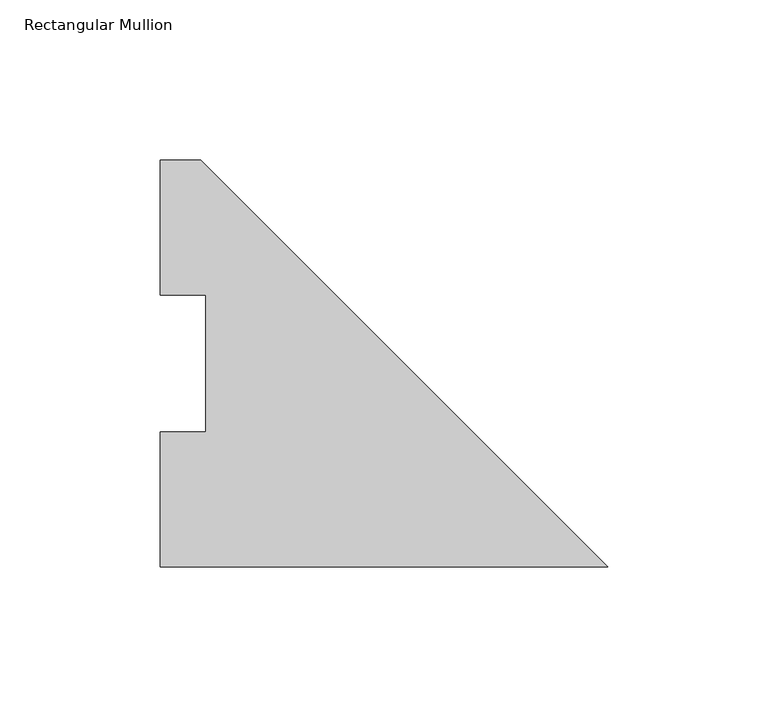
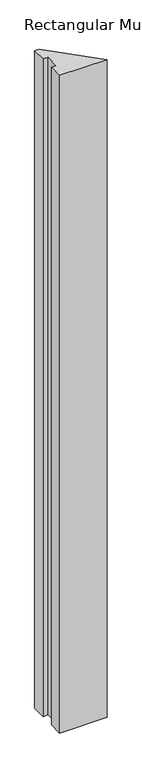
"""IFC4 building model written with IfcOpenShell, lengths in millimetres: member geometry, Rectangular Mullion."""

from ifc_helpers import new_model, si_unit, frame, origin, place, context, project, spatial, polyline, outline, extrude, source, transform, mapped, element, save


def rectangular_mullion_a63868a4(model_context):
    return source(origin(), model_context, "Body", "SweptSolid", [
        extrude(outline(polyline([(-139.7, -0.2913062), (-139.7, 41.7837938), (-125.4125, 41.7837938), (-125.4125, 84.6335938), (-139.7, 84.6335938), (-139.7, 126.7086938), (-127.0, 126.7086938), (0.0, -0.2913062), (-139.7, -0.2913062)])), frame((0.0, 0.0, -2044.7176747), z_axis=(0.0, 0.0, 1.0), x_axis=(1.0, 0.0, 0.0)), (0.0, 0.0, 1.0), 2044.7176747),
    ])


if __name__ == "__main__":
    model = new_model("IFC4")
    model_context = context("Model", 3, world=origin())
    ifc_project = project(units=[si_unit("LENGTHUNIT", "METRE", prefix="MILLI")], contexts=[model_context])
    site = spatial("IfcSite", under=ifc_project)
    building = spatial("IfcBuilding", under=site)
    placement = place(None, origin())
    rectangular_mullion_shape = rectangular_mullion_a63868a4(model_context)
    element("IfcMember", 1, ObjectType="Rectangular Mullion", at=placement, inside=building, context=model_context, shape_type="MappedRepresentation", body=[
        mapped(rectangular_mullion_shape, transform((0.0, 0.0, 0.0), x_axis=(1.0, 0.0, 0.0), y_axis=(0.0, 1.0, 0.0), z_axis=(0.0, 0.0, 1.0))),
    ])
    save(model, "model.ifc")
